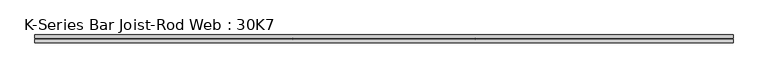
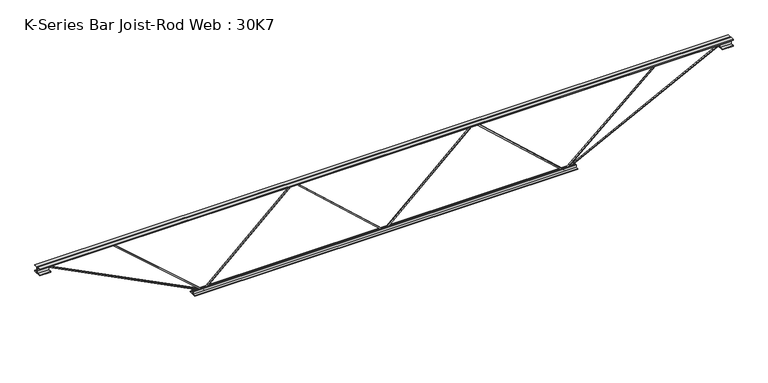
"""IFC4 building model written with IfcOpenShell, lengths in millimetres: beam geometry, K-Series Bar Joist-Rod Web : 30K7."""

from ifc_helpers import new_model, si_unit, frame, origin, place, context, project, spatial, polyline, outline, extrude, source, transform, mapped, element, save


def k_series_bar_joist_rod_web_30k7_8f5311bf(model_context):
    return source(origin(), model_context, "Body", "SweptSolid", [
        extrude(outline(polyline([(-379.4125, 0.0), (-379.4125, 5.0211629), (369.8875, 826.2648826), (369.8875, 828.9225569), (-379.4125, 1650.1662767), (-379.4125, 1655.1874395), (-369.8875, 1655.1874395), (-369.8875, 1653.8586024), (379.4125, 832.6148826), (379.4125, 822.5725569), (-369.8875, 1.3288371), (-369.8875, 0.0), (-379.4125, 0.0)])), frame((0.0, -4.7625, 0.0), z_axis=(0.0, 1.0, 0.0), x_axis=(0.0, 0.0, 1.0)), (0.0, 0.0, 1.0), 9.525),
        extrude(outline(polyline([(-379.4125, -1655.1874395), (-379.4125, -1650.1662767), (369.8875, -828.9225569), (369.8875, -826.2648826), (-379.4125, -5.0211629), (-379.4125, 0.0), (-369.8875, 0.0), (-369.8875, -1.3288371), (379.4125, -822.5725569), (379.4125, -832.6148826), (-369.8875, -1653.8586024), (-369.8875, -1655.1874395), (-379.4125, -1655.1874395)])), frame((0.0, -4.7625, 0.0), z_axis=(0.0, 1.0, 0.0), x_axis=(0.0, 0.0, 1.0)), (0.0, 0.0, 1.0), 9.525),
        extrude(outline(polyline([(-4.7625, 381.0), (-4.7625, 349.25), (-11.1125, 349.25), (-11.1125, 374.65), (-36.5125, 374.65), (-36.5125, 381.0), (-4.7625, 381.0)])), frame((-3179.1874395, 0.0, 0.0), z_axis=(1.0, 0.0, 0.0), x_axis=(0.0, 1.0, 0.0)), (0.0, 0.0, 1.0), 6358.3748791),
        extrude(outline(polyline([(4.7625, 381.0), (36.5125, 381.0), (36.5125, 374.65), (11.1125, 374.65), (11.1125, 349.25), (4.7625, 349.25), (4.7625, 381.0)])), frame((-3179.1874395, 0.0, 0.0), z_axis=(1.0, 0.0, 0.0), x_axis=(0.0, 1.0, 0.0)), (0.0, 0.0, 1.0), 6358.3748791),
        extrude(outline(polyline([(4.7625, 317.5), (4.7625, 349.25), (11.1125, 349.25), (11.1125, 323.85), (36.5125, 323.85), (36.5125, 317.5), (4.7625, 317.5)])), frame((-3179.1874395, 0.0, 0.0), z_axis=(1.0, 0.0, 0.0), x_axis=(0.0, 1.0, 0.0)), (0.0, 0.0, 1.0), 101.6),
        extrude(outline(polyline([(-36.5125, 317.5), (-36.5125, 323.85), (-11.1125, 323.85), (-11.1125, 349.25), (-4.7625, 349.25), (-4.7625, 317.5), (-36.5125, 317.5)])), frame((-3179.1874395, 0.0, 0.0), z_axis=(1.0, 0.0, 0.0), x_axis=(0.0, 1.0, 0.0)), (0.0, 0.0, 1.0), 101.6),
        extrude(outline(polyline([(-4.7625, 317.5), (-36.5125, 317.5), (-36.5125, 323.85), (-11.1125, 323.85), (-11.1125, 349.25), (-4.7625, 349.25), (-4.7625, 317.5)])), frame((3077.5874395, 0.0, 0.0), z_axis=(1.0, 0.0, 0.0), x_axis=(0.0, 1.0, 0.0)), (0.0, 0.0, 1.0), 101.6),
        extrude(outline(polyline([(4.7625, 317.5), (4.7625, 349.25), (11.1125, 349.25), (11.1125, 323.85), (36.5125, 323.85), (36.5125, 317.5), (4.7625, 317.5)])), frame((3077.5874395, 0.0, 0.0), z_axis=(1.0, 0.0, 0.0), x_axis=(0.0, 1.0, 0.0)), (0.0, 0.0, 1.0), 101.6),
        extrude(outline(polyline([(-4.7625, -381.0), (-36.5125, -381.0), (-36.5125, -374.65), (-11.1125, -374.65), (-11.1125, -349.25), (-4.7625, -349.25), (-4.7625, -381.0)])), frame((-1756.7874395, 0.0, 0.0), z_axis=(1.0, 0.0, 0.0), x_axis=(0.0, 1.0, 0.0)), (0.0, 0.0, 1.0), 3513.5748791),
        extrude(outline(polyline([(4.7625, -381.0), (4.7625, -349.25), (11.1125, -349.25), (11.1125, -374.65), (36.5125, -374.65), (36.5125, -381.0), (4.7625, -381.0)])), frame((-1756.7874395, 0.0, 0.0), z_axis=(1.0, 0.0, 0.0), x_axis=(0.0, 1.0, 0.0)), (0.0, 0.0, 1.0), 3513.5748791),
        extrude(outline(polyline([(0.0, 9.525), (1596.011582, 9.525), (1596.011582, 0.0), (0.0, 0.0), (0.0, 9.525)])), frame((-3079.7475578, -4.7625, 345.0055571), z_axis=(0.45356813706533866, 0.0, 0.8912216026550738), x_axis=(0.8912216026550738, 0.0, -0.45356813706533866)), (0.0, 0.0, 1.0), 9.525),
        extrude(outline(polyline([(0.0, 9.525), (1099.5192472, 9.525), (1099.5192472, 0.0), (0.0, 0.0), (0.0, 9.525)])), frame((-2485.9166876, -4.7625, 345.6653287), z_axis=(0.6583786521556825, 0.0, 0.7526868873480306), x_axis=(0.7526868873480306, 0.0, -0.6583786521556825)), (0.0, 0.0, 1.0), 9.525),
        extrude(outline(polyline([(0.0, 9.525), (1596.011582, 9.525), (1596.011582, 0.0), (0.0, 0.0), (0.0, 9.525)])), frame((3079.7475578, 4.7625, 345.0055571), z_axis=(-0.4535681370653315, 0.0, 0.8912216026550774), x_axis=(-0.8912216026550774, 0.0, -0.4535681370653315)), (0.0, 0.0, 1.0), 9.525),
        extrude(outline(polyline([(0.0, 9.525), (1099.5192472, 9.525), (1099.5192472, 0.0), (0.0, 0.0), (0.0, 9.525)])), frame((2485.9166876, 4.7625, 345.6653287), z_axis=(-0.6583786521556795, 0.0, 0.7526868873480332), x_axis=(-0.7526868873480332, 0.0, -0.6583786521556795)), (0.0, 0.0, 1.0), 9.525),
    ])


if __name__ == "__main__":
    model = new_model("IFC4")
    model_context = context("Model", 3, world=origin())
    ifc_project = project(units=[si_unit("LENGTHUNIT", "METRE", prefix="MILLI")], contexts=[model_context])
    site = spatial("IfcSite", under=ifc_project)
    building = spatial("IfcBuilding", under=site)
    placement = place(None, origin())
    k_series_bar_joist_rod_web_30k7_shape = k_series_bar_joist_rod_web_30k7_8f5311bf(model_context)
    element("IfcBeam", 1, ObjectType="K-Series Bar Joist-Rod Web : 30K7", at=placement, inside=building, context=model_context, shape_type="MappedRepresentation", body=[
        mapped(k_series_bar_joist_rod_web_30k7_shape, transform((0.0, 0.0, 0.0), x_axis=(1.0, 0.0, 0.0), y_axis=(0.0, 1.0, 0.0), z_axis=(0.0, 0.0, 1.0))),
    ])
    save(model, "model.ifc")
